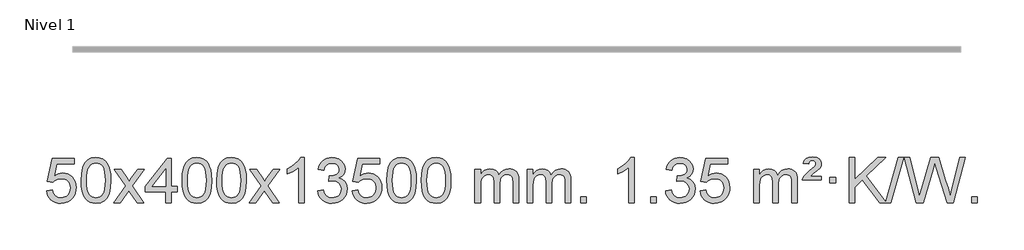
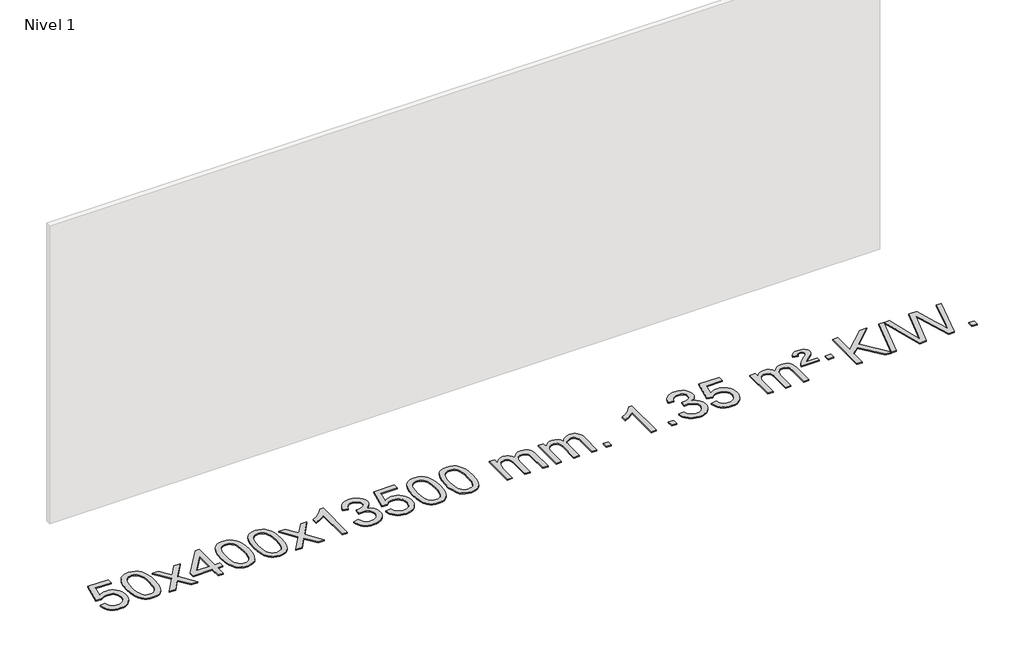
# One storey, part 20 of 21: 1 proxy.
"""IFC4 building model written with IfcOpenShell, lengths in millimetres."""

from ifc_helpers import new_model, si_unit, origin, origin_with_axes, place, context, project, spatial, polyline, outline, extrude, element, save

model = new_model("IFC4")

# Units and contexts
model_context = context("Model", 3, world=origin())
ifc_project = project(units=[si_unit("LENGTHUNIT", "METRE", prefix="MILLI")], contexts=[model_context])

# Site, building, storey
site = spatial("IfcSite", under=ifc_project)
building = spatial("IfcBuilding", under=site)
storey = spatial("IfcBuildingStorey", under=building, Name="Nivel 1", Elevation=0.0)

# Proxy
placement = place(None, origin())
element("IfcBuildingElementProxy", 1, Name="Texto de modelo 1", ObjectType="Texto de modelo 1", at=placement, inside=storey, context=model_context, shape_type="SweptSolid", body=[
    extrude(outline(polyline([(-13263.8171603, 2715.1553765), (-13213.5890052, 2721.4338959), (-13204.3674299, 2691.2798351), (-13188.278724, 2669.6851619), (-13165.3964639, 2656.6989275), (-13135.794226, 2652.3701827), (-13116.6643622, 2653.8754332), (-13099.7908414, 2658.3911847), (-13085.1736634, 2665.9174372), (-13072.8128284, 2676.4541906), (-13062.9842478, 2689.480279), (-13055.963833, 2704.4745359), (-13050.3475012, 2740.3675559), (-13055.6082138, 2774.1636486), (-13062.1841044, 2788.0818507), (-13071.3903514, 2800.0134901), (-13083.2576114, 2809.5845533), (-13097.8165413, 2816.4210271), (-13135.0094111, 2821.8902061), (-13159.3754619, 2819.7074396), (-13179.1061995, 2813.1591401), (-13194.8638117, 2803.1282243), (-13207.3104858, 2790.4976092), (-13257.5386409, 2796.7761285), (-13213.5890052, 3003.9672682), (-13018.9549043, 3003.9672682), (-13018.9549043, 2953.7391131), (-13172.974833, 2953.7391131), (-13194.4591415, 2843.080209), (-13176.7333607, 2855.7844006), (-13158.5783842, 2864.8588231), (-13139.9942121, 2870.3034766), (-13120.9808443, 2872.1183612), (-13096.5197573, 2869.8681496), (-13074.0513645, 2863.117515), (-13053.5756657, 2851.8664573), (-13035.0926612, 2836.1149766), (-13019.7918358, 2816.8256973), (-13008.8626749, 2794.961244), (-13002.3051783, 2770.5216168), (-13000.1193462, 2743.5068156), (-13002.0875148, 2717.4852958), (-13007.9920209, 2693.2786606), (-13017.8328642, 2670.8869098), (-13031.6100449, 2650.3100435), (-13052.4812168, 2629.2365366), (-13076.8350049, 2614.1840316), (-13104.6714092, 2605.1525286), (-13135.9904297, 2602.1420276), (-13161.9107819, 2604.0764738), (-13185.3234053, 2609.8798123), (-13206.2282996, 2619.552043), (-13224.6254651, 2633.0931662), (-13239.9324218, 2649.8287312), (-13251.5666899, 2669.084288), (-13259.5282694, 2690.8598364), (-13263.8171603, 2715.1553765)])), origin_with_axes(), (0.0, 0.0, 1.0), 10.0),
    extrude(outline(polyline([(-12956.1697105, 2806.0958057), (-12952.4786278, 2870.4138412), (-12941.4053797, 2921.7088541), (-12923.0603309, 2960.7656593), (-12911.2022679, 2975.9990395), (-12897.5538459, 2988.3690716), (-12882.0690796, 2997.9401349), (-12864.7019837, 3004.7766086), (-12824.3208034, 3010.2457876), (-12793.3696649, 3007.008426), (-12765.6558879, 2997.2963414), (-12742.4793222, 2981.4896783), (-12725.1398175, 2959.9685816), (-12712.0432185, 2932.9169922), (-12701.5953698, 2900.5188512), (-12694.7527647, 2859.3773814), (-12692.4718963, 2806.0958057), (-12696.1261908, 2742.1456523), (-12707.0890743, 2690.9732667), (-12725.3237585, 2651.8796734), (-12737.1542303, 2636.6003078), (-12750.7934553, 2624.1658964), (-12766.2966157, 2614.5304538), (-12783.7188939, 2607.6479948), (-12824.3208034, 2602.1420276), (-12851.9855294, 2604.5332606), (-12876.5109958, 2611.7069595), (-12897.8972024, 2623.6631243), (-12916.1441494, 2640.4017551), (-12933.6553324, 2670.6600492), (-12946.1633202, 2708.3618224), (-12953.6681129, 2753.5070745), (-12956.1697105, 2806.0958057)]), holes=[polyline([(-12905.9415554, 2806.1939076), (-12904.4700274, 2762.5293805), (-12900.0554435, 2727.1851178), (-12892.6978036, 2700.1611196), (-12882.3971077, 2681.4573858), (-12869.9381708, 2668.7317344), (-12856.1058078, 2659.6419835), (-12840.9000186, 2654.1881329), (-12824.3208034, 2652.3701827), (-12807.7415881, 2654.1942643), (-12792.535799, 2659.6665089), (-12778.703436, 2668.7869167), (-12766.2444991, 2681.5554876), (-12755.9438032, 2700.2898783), (-12748.5861633, 2727.3077451), (-12744.1715794, 2762.6090882), (-12742.7000514, 2806.1939076), (-12744.1225284, 2848.7026722), (-12748.3899596, 2883.4246011), (-12755.5023448, 2910.3596945), (-12765.4596842, 2929.5079524), (-12777.7101546, 2942.8559375), (-12791.7019332, 2952.3902125), (-12807.4350198, 2958.1107775), (-12824.9094146, 2960.0176325), (-12841.4027907, 2958.3376381), (-12856.3510624, 2953.2976548), (-12869.7542298, 2944.8976825), (-12881.6122928, 2933.1377214), (-12892.2563452, 2912.291075), (-12899.8592397, 2884.1848906), (-12904.4209765, 2848.8191681), (-12905.9415554, 2806.1939076)])]), origin_with_axes(), (0.0, 0.0, 1.0), 10.0),
    extrude(outline(polyline([(-12667.3578188, 2608.420547), (-12560.0343781, 2756.7505675), (-12661.0792994, 2903.5109581), (-12600.6485503, 2903.5109581), (-12551.8919232, 2832.877615), (-12529.1322905, 2799.5229808), (-12509.4138155, 2826.7952993), (-12453.8881597, 2903.5109581), (-12393.4574106, 2903.5109581), (-12499.603629, 2756.7505675), (-12397.3814853, 2608.420547), (-12457.8122343, 2608.420547), (-12519.3221039, 2697.5951426), (-12530.6038184, 2713.8800523), (-12606.9270697, 2608.420547), (-12667.3578188, 2608.420547)])), origin_with_axes(), (0.0, 0.0, 1.0), 10.0),
    extrude(outline(polyline([(-12202.7473843, 2608.420547), (-12202.7473843, 2702.5983378), (-12384.8244465, 2702.5983378), (-12384.8244465, 2752.8264928), (-12190.1903456, 3003.9672682), (-12152.5192293, 3003.9672682), (-12152.5192293, 2752.8264928), (-12102.2910742, 2752.8264928), (-12102.2910742, 2702.5983378), (-12152.5192293, 2702.5983378), (-12152.5192293, 2608.420547), (-12202.7473843, 2608.420547)]), holes=[polyline([(-12202.7473843, 2752.8264928), (-12202.7473843, 2908.0236439), (-12323.0202713, 2752.8264928), (-12202.7473843, 2752.8264928)])]), origin_with_axes(), (0.0, 0.0, 1.0), 10.0),
    extrude(outline(polyline([(-12058.3414385, 2806.0958057), (-12054.6503558, 2870.4138412), (-12043.5771078, 2921.7088541), (-12025.2320589, 2960.7656593), (-12013.373996, 2975.9990395), (-11999.7255739, 2988.3690716), (-11984.2408076, 2997.9401349), (-11966.8737118, 3004.7766086), (-11926.4925314, 3010.2457876), (-11895.5413929, 3007.008426), (-11867.8276159, 2997.2963414), (-11844.6510502, 2981.4896783), (-11827.3115455, 2959.9685816), (-11814.2149465, 2932.9169922), (-11803.7670978, 2900.5188512), (-11796.9244927, 2859.3773814), (-11794.6436244, 2806.0958057), (-11798.2979188, 2742.1456523), (-11809.2608023, 2690.9732667), (-11827.4954865, 2651.8796734), (-11839.3259584, 2636.6003078), (-11852.9651833, 2624.1658964), (-11868.4683437, 2614.5304538), (-11885.8906219, 2607.6479948), (-11926.4925314, 2602.1420276), (-11954.1572575, 2604.5332606), (-11978.6827238, 2611.7069595), (-12000.0689305, 2623.6631243), (-12018.3158774, 2640.4017551), (-12035.8270604, 2670.6600492), (-12048.3350482, 2708.3618224), (-12055.8398409, 2753.5070745), (-12058.3414385, 2806.0958057)]), holes=[polyline([(-12008.1132834, 2806.1939076), (-12006.6417554, 2762.5293805), (-12002.2271715, 2727.1851178), (-11994.8695316, 2700.1611196), (-11984.5688357, 2681.4573858), (-11972.1098988, 2668.7317344), (-11958.2775358, 2659.6419835), (-11943.0717467, 2654.1881329), (-11926.4925314, 2652.3701827), (-11909.9133162, 2654.1942643), (-11894.707527, 2659.6665089), (-11880.875164, 2668.7869167), (-11868.4162271, 2681.5554876), (-11858.1155313, 2700.2898783), (-11850.7578914, 2727.3077451), (-11846.3433074, 2762.6090882), (-11844.8717794, 2806.1939076), (-11846.2942565, 2848.7026722), (-11850.5616876, 2883.4246011), (-11857.6740729, 2910.3596945), (-11867.6314122, 2929.5079524), (-11879.8818826, 2942.8559375), (-11893.8736612, 2952.3902125), (-11909.6067479, 2958.1107775), (-11927.0811426, 2960.0176325), (-11943.5745187, 2958.3376381), (-11958.5227905, 2953.2976548), (-11971.9259578, 2944.8976825), (-11983.7840208, 2933.1377214), (-11994.4280732, 2912.291075), (-12002.0309678, 2884.1848906), (-12006.5927045, 2848.8191681), (-12008.1132834, 2806.1939076)])]), origin_with_axes(), (0.0, 0.0, 1.0), 10.0),
    extrude(outline(polyline([(-11750.6939887, 2806.0958057), (-11747.002906, 2870.4138412), (-11735.9296579, 2921.7088541), (-11717.5846091, 2960.7656593), (-11705.7265461, 2975.9990395), (-11692.0781241, 2988.3690716), (-11676.5933578, 2997.9401349), (-11659.2262619, 3004.7766086), (-11618.8450816, 3010.2457876), (-11587.8939431, 3007.008426), (-11560.1801661, 2997.2963414), (-11537.0036004, 2981.4896783), (-11519.6640957, 2959.9685816), (-11506.5674967, 2932.9169922), (-11496.119648, 2900.5188512), (-11489.2770429, 2859.3773814), (-11486.9961745, 2806.0958057), (-11490.650469, 2742.1456523), (-11501.6133525, 2690.9732667), (-11519.8480367, 2651.8796734), (-11531.6785085, 2636.6003078), (-11545.3177335, 2624.1658964), (-11560.8208939, 2614.5304538), (-11578.2431721, 2607.6479948), (-11618.8450816, 2602.1420276), (-11646.5098076, 2604.5332606), (-11671.035274, 2611.7069595), (-11692.4214806, 2623.6631243), (-11710.6684276, 2640.4017551), (-11728.1796106, 2670.6600492), (-11740.6875984, 2708.3618224), (-11748.1923911, 2753.5070745), (-11750.6939887, 2806.0958057)]), holes=[polyline([(-11700.4658336, 2806.1939076), (-11698.9943056, 2762.5293805), (-11694.5797217, 2727.1851178), (-11687.2220818, 2700.1611196), (-11676.9213859, 2681.4573858), (-11664.462449, 2668.7317344), (-11650.630086, 2659.6419835), (-11635.4242968, 2654.1881329), (-11618.8450816, 2652.3701827), (-11602.2658663, 2654.1942643), (-11587.0600772, 2659.6665089), (-11573.2277142, 2668.7869167), (-11560.7687773, 2681.5554876), (-11550.4680814, 2700.2898783), (-11543.1104415, 2727.3077451), (-11538.6958576, 2762.6090882), (-11537.2243296, 2806.1939076), (-11538.6468066, 2848.7026722), (-11542.9142378, 2883.4246011), (-11550.026623, 2910.3596945), (-11559.9839624, 2929.5079524), (-11572.2344328, 2942.8559375), (-11586.2262114, 2952.3902125), (-11601.959298, 2958.1107775), (-11619.4336928, 2960.0176325), (-11635.9270689, 2958.3376381), (-11650.8753406, 2953.2976548), (-11664.278508, 2944.8976825), (-11676.136571, 2933.1377214), (-11686.7806234, 2912.291075), (-11694.3835179, 2884.1848906), (-11698.9452547, 2848.8191681), (-11700.4658336, 2806.1939076)])]), origin_with_axes(), (0.0, 0.0, 1.0), 10.0),
    extrude(outline(polyline([(-11461.882097, 2608.420547), (-11354.5586563, 2756.7505675), (-11455.6035776, 2903.5109581), (-11395.1728285, 2903.5109581), (-11346.4162014, 2832.877615), (-11323.6565687, 2799.5229808), (-11303.9380937, 2826.7952993), (-11248.4124379, 2903.5109581), (-11187.9816888, 2903.5109581), (-11294.1279072, 2756.7505675), (-11191.9057635, 2608.420547), (-11252.3365125, 2608.420547), (-11313.8463821, 2697.5951426), (-11325.1280966, 2713.8800523), (-11401.4513479, 2608.420547), (-11461.882097, 2608.420547)])), origin_with_axes(), (0.0, 0.0, 1.0), 10.0),
    extrude(outline(polyline([(-10972.157585, 2608.420547), (-11022.3857401, 2608.420547), (-11022.3857401, 2921.5617013), (-11043.3550138, 2904.6023413), (-11069.9651448, 2887.6675068), (-11122.8420502, 2862.3081746), (-11122.8420502, 2909.7894775), (-11083.3928376, 2931.2492605), (-11049.2166003, 2956.780271), (-11022.2753755, 2983.9299622), (-11004.5312006, 3010.2457876), (-10972.157585, 3010.2457876), (-10972.157585, 2608.420547)])), origin_with_axes(), (0.0, 0.0, 1.0), 10.0),
    extrude(outline(polyline([(-10852.8657167, 2715.1553765), (-10802.6375616, 2721.4338959), (-10791.3926353, 2689.8696207), (-10774.9237847, 2668.5569905), (-10752.4216693, 2656.4168846), (-10723.0769488, 2652.3701827), (-10688.6431941, 2657.9374636), (-10674.3693726, 2664.8965646), (-10662.0575885, 2674.6393061), (-10645.0614404, 2699.5571799), (-10639.3960576, 2729.7725545), (-10645.0123894, 2758.4550874), (-10661.8613848, 2781.7174922), (-10687.3678698, 2797.1317478), (-10718.9566705, 2802.269833), (-10754.1752401, 2796.7761285), (-10748.5834338, 2847.0042836), (-10740.5390808, 2846.4156724), (-10710.4463336, 2850.020916), (-10683.5418971, 2860.8366466), (-10672.468649, 2869.0158897), (-10664.5591861, 2879.1326445), (-10659.8135084, 2891.1869112), (-10658.2316158, 2905.1786898), (-10662.817878, 2926.8714648), (-10676.5766646, 2944.4684869), (-10697.5704638, 2956.1303461), (-10723.8617637, 2960.0176325), (-10750.2021146, 2956.0935579), (-10771.735474, 2944.3213341), (-10787.456298, 2924.700961), (-10796.3590422, 2897.2324387), (-10846.5871973, 2903.5109581), (-10840.6336404, 2927.4907328), (-10831.7983411, 2948.6132907), (-10820.0812996, 2966.8786317), (-10805.4825157, 2982.286756), (-10788.4618421, 2994.5188323), (-10769.4791311, 3003.2560297), (-10748.5343829, 3008.4983481), (-10725.6275973, 3010.2457876), (-10694.0510594, 3006.7999596), (-10665.0496954, 2996.4624755), (-10640.5978055, 2980.1530404), (-10622.6696896, 2958.7913592), (-10611.6700179, 2934.1800537), (-10608.0034607, 2908.1217457), (-10611.4860769, 2883.8415341), (-10621.9339256, 2861.8176653), (-10639.1998539, 2843.0556835), (-10663.1367091, 2828.5611329), (-10631.6950612, 2815.8569414), (-10608.3958682, 2794.22548), (-10593.974894, 2764.8439714), (-10589.1679026, 2728.8896377), (-10591.5713983, 2703.4076782), (-10598.7818854, 2679.9368069), (-10610.7993639, 2658.4770238), (-10627.6238338, 2639.028329), (-10648.1209923, 2622.8905722), (-10671.1565366, 2611.363603), (-10696.7304666, 2604.4474215), (-10724.8427824, 2602.1420276), (-10750.2511655, 2604.1101963), (-10773.4032057, 2610.0147023), (-10794.2989031, 2619.8555457), (-10812.9382575, 2633.6327264), (-10828.5671109, 2650.5369041), (-10840.4313053, 2669.7587383), (-10848.5308405, 2691.2982292), (-10852.8657167, 2715.1553765)])), origin_with_axes(), (0.0, 0.0, 1.0), 10.0),
    extrude(outline(polyline([(-10545.2182669, 2715.1553765), (-10494.9901118, 2721.4338959), (-10485.7685365, 2691.2798351), (-10469.6798305, 2669.6851619), (-10446.7975704, 2656.6989275), (-10417.1953326, 2652.3701827), (-10398.0654688, 2653.8754332), (-10381.191948, 2658.3911847), (-10366.57477, 2665.9174372), (-10354.213935, 2676.4541906), (-10344.3853543, 2689.480279), (-10337.3649396, 2704.4745359), (-10331.7486078, 2740.3675559), (-10337.0093203, 2774.1636486), (-10343.585211, 2788.0818507), (-10352.7914579, 2800.0134901), (-10364.658718, 2809.5845533), (-10379.2176479, 2816.4210271), (-10416.4105176, 2821.8902061), (-10440.7765684, 2819.7074396), (-10460.5073061, 2813.1591401), (-10476.2649182, 2803.1282243), (-10488.7115924, 2790.4976092), (-10538.9397475, 2796.7761285), (-10494.9901118, 3003.9672682), (-10300.3560109, 3003.9672682), (-10300.3560109, 2953.7391131), (-10454.3759395, 2953.7391131), (-10475.860248, 2843.080209), (-10458.1344672, 2855.7844006), (-10439.9794908, 2864.8588231), (-10421.3953187, 2870.3034766), (-10402.3819509, 2872.1183612), (-10377.9208639, 2869.8681496), (-10355.452471, 2863.117515), (-10334.9767723, 2851.8664573), (-10316.4937677, 2836.1149766), (-10301.1929424, 2816.8256973), (-10290.2637815, 2794.961244), (-10283.7062849, 2770.5216168), (-10281.5204527, 2743.5068156), (-10283.4886214, 2717.4852958), (-10289.3931274, 2693.2786606), (-10299.2339708, 2670.8869098), (-10313.0111515, 2650.3100435), (-10333.8823234, 2629.2365366), (-10358.2361115, 2614.1840316), (-10386.0725158, 2605.1525286), (-10417.3915363, 2602.1420276), (-10443.3118885, 2604.0764738), (-10466.7245118, 2609.8798123), (-10487.6294062, 2619.552043), (-10506.0265717, 2633.0931662), (-10521.3335283, 2649.8287312), (-10532.9677964, 2669.084288), (-10540.9293759, 2690.8598364), (-10545.2182669, 2715.1553765)])), origin_with_axes(), (0.0, 0.0, 1.0), 10.0),
    extrude(outline(polyline([(-10237.570817, 2806.0958057), (-10233.8797344, 2870.4138412), (-10222.8064863, 2921.7088541), (-10204.4614375, 2960.7656593), (-10192.6033745, 2975.9990395), (-10178.9549525, 2988.3690716), (-10163.4701862, 2997.9401349), (-10146.1030903, 3004.7766086), (-10105.72191, 3010.2457876), (-10074.7707714, 3007.008426), (-10047.0569945, 2997.2963414), (-10023.8804288, 2981.4896783), (-10006.5409241, 2959.9685816), (-9993.444325, 2932.9169922), (-9982.9964764, 2900.5188512), (-9976.1538713, 2859.3773814), (-9973.8730029, 2806.0958057), (-9977.5272974, 2742.1456523), (-9988.4901808, 2690.9732667), (-10006.7248651, 2651.8796734), (-10018.5553369, 2636.6003078), (-10032.1945619, 2624.1658964), (-10047.6977223, 2614.5304538), (-10065.1200004, 2607.6479948), (-10105.72191, 2602.1420276), (-10133.386636, 2604.5332606), (-10157.9121024, 2611.7069595), (-10179.298309, 2623.6631243), (-10197.545256, 2640.4017551), (-10215.0564389, 2670.6600492), (-10227.5644268, 2708.3618224), (-10235.0692195, 2753.5070745), (-10237.570817, 2806.0958057)]), holes=[polyline([(-10187.342662, 2806.1939076), (-10185.871134, 2762.5293805), (-10181.45655, 2727.1851178), (-10174.0989101, 2700.1611196), (-10163.7982143, 2681.4573858), (-10151.3392774, 2668.7317344), (-10137.5069144, 2659.6419835), (-10122.3011252, 2654.1881329), (-10105.72191, 2652.3701827), (-10089.1426947, 2654.1942643), (-10073.9369056, 2659.6665089), (-10060.1045426, 2668.7869167), (-10047.6456057, 2681.5554876), (-10037.3449098, 2700.2898783), (-10029.9872699, 2727.3077451), (-10025.572686, 2762.6090882), (-10024.101158, 2806.1939076), (-10025.523635, 2848.7026722), (-10029.7910662, 2883.4246011), (-10036.9034514, 2910.3596945), (-10046.8607907, 2929.5079524), (-10059.1112612, 2942.8559375), (-10073.1030397, 2952.3902125), (-10088.8361264, 2958.1107775), (-10106.3105212, 2960.0176325), (-10122.8038973, 2958.3376381), (-10137.752169, 2953.2976548), (-10151.1553364, 2944.8976825), (-10163.0133993, 2933.1377214), (-10173.6574517, 2912.291075), (-10181.2603463, 2884.1848906), (-10185.8220831, 2848.8191681), (-10187.342662, 2806.1939076)])]), origin_with_axes(), (0.0, 0.0, 1.0), 10.0),
    extrude(outline(polyline([(-9929.9233672, 2806.0958057), (-9926.2322845, 2870.4138412), (-9915.1590365, 2921.7088541), (-9896.8139876, 2960.7656593), (-9884.9559247, 2975.9990395), (-9871.3075026, 2988.3690716), (-9855.8227363, 2997.9401349), (-9838.4556405, 3004.7766086), (-9798.0744601, 3010.2457876), (-9767.1233216, 3007.008426), (-9739.4095446, 2997.2963414), (-9716.2329789, 2981.4896783), (-9698.8934742, 2959.9685816), (-9685.7968752, 2932.9169922), (-9675.3490265, 2900.5188512), (-9668.5064214, 2859.3773814), (-9666.2255531, 2806.0958057), (-9669.8798475, 2742.1456523), (-9680.842731, 2690.9732667), (-9699.0774152, 2651.8796734), (-9710.9078871, 2636.6003078), (-9724.547112, 2624.1658964), (-9740.0502724, 2614.5304538), (-9757.4725506, 2607.6479948), (-9798.0744601, 2602.1420276), (-9825.7391862, 2604.5332606), (-9850.2646525, 2611.7069595), (-9871.6508592, 2623.6631243), (-9889.8978061, 2640.4017551), (-9907.4089891, 2670.6600492), (-9919.9169769, 2708.3618224), (-9927.4217696, 2753.5070745), (-9929.9233672, 2806.0958057)]), holes=[polyline([(-9879.6952121, 2806.1939076), (-9878.2236842, 2762.5293805), (-9873.8091002, 2727.1851178), (-9866.4514603, 2700.1611196), (-9856.1507644, 2681.4573858), (-9843.6918275, 2668.7317344), (-9829.8594645, 2659.6419835), (-9814.6536754, 2654.1881329), (-9798.0744601, 2652.3701827), (-9781.4952449, 2654.1942643), (-9766.2894558, 2659.6665089), (-9752.4570927, 2668.7869167), (-9739.9981558, 2681.5554876), (-9729.69746, 2700.2898783), (-9722.3398201, 2727.3077451), (-9717.9252361, 2762.6090882), (-9716.4537081, 2806.1939076), (-9717.8761852, 2848.7026722), (-9722.1436163, 2883.4246011), (-9729.2560016, 2910.3596945), (-9739.2133409, 2929.5079524), (-9751.4638113, 2942.8559375), (-9765.4555899, 2952.3902125), (-9781.1886766, 2958.1107775), (-9798.6630713, 2960.0176325), (-9815.1564474, 2958.3376381), (-9830.1047192, 2953.2976548), (-9843.5078865, 2944.8976825), (-9855.3659495, 2933.1377214), (-9866.0100019, 2912.291075), (-9873.6128965, 2884.1848906), (-9878.1746332, 2848.8191681), (-9879.6952121, 2806.1939076)])]), origin_with_axes(), (0.0, 0.0, 1.0), 10.0),
    extrude(outline(polyline([(-9452.755894, 2608.420547), (-9452.755894, 2903.5109581), (-9402.5277389, 2903.5109581), (-9402.5277389, 2854.9505347), (-9387.4200517, 2877.2564463), (-9367.9958823, 2894.7308411), (-9344.9174185, 2906.0248184), (-9318.8468478, 2909.7894775), (-9290.9123416, 2905.951242), (-9268.5205908, 2894.4365355), (-9251.7942228, 2876.0056476), (-9240.8558648, 2851.4188676), (-9222.5476041, 2876.9560094), (-9201.6641696, 2895.196825), (-9178.205561, 2906.1413143), (-9152.1717785, 2909.7894775), (-9132.0639617, 2908.2719642), (-9114.414823, 2903.7194245), (-9099.2243623, 2896.1318584), (-9086.4925796, 2885.5092658), (-9076.4279413, 2871.7290194), (-9069.238914, 2854.6684918), (-9064.9254976, 2834.3276832), (-9063.4876922, 2810.7065934), (-9063.4876922, 2608.420547), (-9113.7158472, 2608.420547), (-9113.7158472, 2789.124183), (-9114.8808069, 2814.1769469), (-9118.3756858, 2831.0627305), (-9124.9239854, 2842.6264879), (-9135.2492067, 2851.7131732), (-9148.5297467, 2857.5992851), (-9163.9440023, 2859.5613224), (-9191.1550072, 2854.5336018), (-9213.3382915, 2839.45044), (-9221.9436645, 2827.8805512), (-9228.0903595, 2813.2817674), (-9233.0077155, 2774.9975144), (-9233.0077155, 2608.420547), (-9283.2358706, 2608.420547), (-9283.2358706, 2794.7159894), (-9286.1421384, 2823.1164794), (-9294.8609417, 2843.3745146), (-9310.2016209, 2855.5146204), (-9332.9735164, 2859.5613224), (-9352.3241093, 2856.8635211), (-9370.1541233, 2848.7701172), (-9384.8694032, 2835.4773144), (-9394.8757934, 2817.1813165), (-9400.6147525, 2791.7974589), (-9402.5277389, 2757.2410768), (-9402.5277389, 2608.420547), (-9452.755894, 2608.420547)])), origin_with_axes(), (0.0, 0.0, 1.0), 10.0),
    extrude(outline(polyline([(-8988.1454596, 2608.420547), (-8988.1454596, 2903.5109581), (-8937.9173045, 2903.5109581), (-8937.9173045, 2854.9505347), (-8922.8096172, 2877.2564463), (-8903.3854479, 2894.7308411), (-8880.306984, 2906.0248184), (-8854.2364133, 2909.7894775), (-8826.3019071, 2905.951242), (-8803.9101564, 2894.4365355), (-8787.1837883, 2876.0056476), (-8776.2454303, 2851.4188676), (-8757.9371697, 2876.9560094), (-8737.0537351, 2895.196825), (-8713.5951266, 2906.1413143), (-8687.561344, 2909.7894775), (-8667.4535273, 2908.2719642), (-8649.8043886, 2903.7194245), (-8634.6139279, 2896.1318584), (-8621.8821452, 2885.5092658), (-8611.8175069, 2871.7290194), (-8604.6284796, 2854.6684918), (-8600.3150632, 2834.3276832), (-8598.8772577, 2810.7065934), (-8598.8772577, 2608.420547), (-8649.1054128, 2608.420547), (-8649.1054128, 2789.124183), (-8650.2703724, 2814.1769469), (-8653.7652514, 2831.0627305), (-8660.3135509, 2842.6264879), (-8670.6387722, 2851.7131732), (-8683.9193123, 2857.5992851), (-8699.3335679, 2859.5613224), (-8726.5445728, 2854.5336018), (-8748.7278571, 2839.45044), (-8757.3332301, 2827.8805512), (-8763.4799251, 2813.2817674), (-8768.3972811, 2774.9975144), (-8768.3972811, 2608.420547), (-8818.6254362, 2608.420547), (-8818.6254362, 2794.7159894), (-8821.5317039, 2823.1164794), (-8830.2505072, 2843.3745146), (-8845.5911864, 2855.5146204), (-8868.3630819, 2859.5613224), (-8887.7136749, 2856.8635211), (-8905.5436889, 2848.7701172), (-8920.2589687, 2835.4773144), (-8930.265359, 2817.1813165), (-8936.0043181, 2791.7974589), (-8937.9173045, 2757.2410768), (-8937.9173045, 2608.420547), (-8988.1454596, 2608.420547)])), origin_with_axes(), (0.0, 0.0, 1.0), 10.0),
    extrude(outline(polyline([(-8510.9779863, 2608.420547), (-8510.9779863, 2658.6487021), (-8460.7498313, 2658.6487021), (-8460.7498313, 2608.420547), (-8510.9779863, 2608.420547)])), origin_with_axes(), (0.0, 0.0, 1.0), 10.0),
    extrude(outline(polyline([(-8033.8105131, 2608.420547), (-8084.0386682, 2608.420547), (-8084.0386682, 2921.5617013), (-8105.0079419, 2904.6023413), (-8131.6180729, 2887.6675068), (-8184.4949784, 2862.3081746), (-8184.4949784, 2909.7894775), (-8145.0457657, 2931.2492605), (-8110.8695284, 2956.780271), (-8083.9283036, 2983.9299622), (-8066.1841287, 3010.2457876), (-8033.8105131, 3010.2457876), (-8033.8105131, 2608.420547)])), origin_with_axes(), (0.0, 0.0, 1.0), 10.0),
    extrude(outline(polyline([(-7889.4045673, 2608.420547), (-7889.4045673, 2658.6487021), (-7839.1764122, 2658.6487021), (-7839.1764122, 2608.420547), (-7889.4045673, 2608.420547)])), origin_with_axes(), (0.0, 0.0, 1.0), 10.0),
    extrude(outline(polyline([(-7757.5556602, 2715.1553765), (-7707.3275051, 2721.4338959), (-7696.0825788, 2689.8696207), (-7679.6137282, 2668.5569905), (-7657.1116128, 2656.4168846), (-7627.7668923, 2652.3701827), (-7593.3331376, 2657.9374636), (-7579.0593162, 2664.8965646), (-7566.7475321, 2674.6393061), (-7549.7513839, 2699.5571799), (-7544.0860012, 2729.7725545), (-7549.7023329, 2758.4550874), (-7566.5513283, 2781.7174922), (-7592.0578133, 2797.1317478), (-7623.646614, 2802.269833), (-7658.8651836, 2796.7761285), (-7653.2733773, 2847.0042836), (-7645.2290244, 2846.4156724), (-7615.1362772, 2850.020916), (-7588.2318406, 2860.8366466), (-7577.1585925, 2869.0158897), (-7569.2491296, 2879.1326445), (-7564.5034519, 2891.1869112), (-7562.9215593, 2905.1786898), (-7567.5078215, 2926.8714648), (-7581.2666081, 2944.4684869), (-7602.2604073, 2956.1303461), (-7628.5517072, 2960.0176325), (-7654.8920581, 2956.0935579), (-7676.4254176, 2944.3213341), (-7692.1462415, 2924.700961), (-7701.0489858, 2897.2324387), (-7751.2771408, 2903.5109581), (-7745.3235839, 2927.4907328), (-7736.4882846, 2948.6132907), (-7724.7712431, 2966.8786317), (-7710.1724592, 2982.286756), (-7693.1517856, 2994.5188323), (-7674.1690746, 3003.2560297), (-7653.2243264, 3008.4983481), (-7630.3175408, 3010.2457876), (-7598.7410029, 3006.7999596), (-7569.7396389, 2996.4624755), (-7545.287749, 2980.1530404), (-7527.3596331, 2958.7913592), (-7516.3599614, 2934.1800537), (-7512.6934042, 2908.1217457), (-7516.1760205, 2883.8415341), (-7526.6238691, 2861.8176653), (-7543.8897974, 2843.0556835), (-7567.8266526, 2828.5611329), (-7536.3850047, 2815.8569414), (-7513.0858117, 2794.22548), (-7498.6648375, 2764.8439714), (-7493.8578461, 2728.8896377), (-7496.2613418, 2703.4076782), (-7503.4718289, 2679.9368069), (-7515.4893074, 2658.4770238), (-7532.3137773, 2639.028329), (-7552.8109358, 2622.8905722), (-7575.8464801, 2611.363603), (-7601.4204101, 2604.4474215), (-7629.5327259, 2602.1420276), (-7654.941109, 2604.1101963), (-7678.0931493, 2610.0147023), (-7698.9888466, 2619.8555457), (-7717.628201, 2633.6327264), (-7733.2570544, 2650.5369041), (-7745.1212488, 2669.7587383), (-7753.220784, 2691.2982292), (-7757.5556602, 2715.1553765)])), origin_with_axes(), (0.0, 0.0, 1.0), 10.0),
    extrude(outline(polyline([(-7449.9082104, 2715.1553765), (-7399.6800553, 2721.4338959), (-7390.45848, 2691.2798351), (-7374.369774, 2669.6851619), (-7351.4875139, 2656.6989275), (-7321.8852761, 2652.3701827), (-7302.7554123, 2653.8754332), (-7285.8818915, 2658.3911847), (-7271.2647135, 2665.9174372), (-7258.9038785, 2676.4541906), (-7249.0752979, 2689.480279), (-7242.0548831, 2704.4745359), (-7236.4385513, 2740.3675559), (-7241.6992639, 2774.1636486), (-7248.2751545, 2788.0818507), (-7257.4814014, 2800.0134901), (-7269.3486615, 2809.5845533), (-7283.9075914, 2816.4210271), (-7321.1004611, 2821.8902061), (-7345.466512, 2819.7074396), (-7365.1972496, 2813.1591401), (-7380.9548618, 2803.1282243), (-7393.4015359, 2790.4976092), (-7443.629691, 2796.7761285), (-7399.6800553, 3003.9672682), (-7205.0459544, 3003.9672682), (-7205.0459544, 2953.7391131), (-7359.065883, 2953.7391131), (-7380.5501916, 2843.080209), (-7362.8244108, 2855.7844006), (-7344.6694343, 2864.8588231), (-7326.0852622, 2870.3034766), (-7307.0718944, 2872.1183612), (-7282.6108074, 2869.8681496), (-7260.1424145, 2863.117515), (-7239.6667158, 2851.8664573), (-7221.1837113, 2836.1149766), (-7205.8828859, 2816.8256973), (-7194.953725, 2794.961244), (-7188.3962284, 2770.5216168), (-7186.2103962, 2743.5068156), (-7188.1785649, 2717.4852958), (-7194.0830709, 2693.2786606), (-7203.9239143, 2670.8869098), (-7217.701095, 2650.3100435), (-7238.5722669, 2629.2365366), (-7262.926055, 2614.1840316), (-7290.7624593, 2605.1525286), (-7322.0814798, 2602.1420276), (-7348.001832, 2604.0764738), (-7371.4144553, 2609.8798123), (-7392.3193497, 2619.552043), (-7410.7165152, 2633.0931662), (-7426.0234719, 2649.8287312), (-7437.6577399, 2669.084288), (-7445.6193195, 2690.8598364), (-7449.9082104, 2715.1553765)])), origin_with_axes(), (0.0, 0.0, 1.0), 10.0),
    extrude(outline(polyline([(-6972.7407372, 2608.420547), (-6972.7407372, 2903.5109581), (-6922.5125821, 2903.5109581), (-6922.5125821, 2854.9505347), (-6907.4048948, 2877.2564463), (-6887.9807255, 2894.7308411), (-6864.9022617, 2906.0248184), (-6838.8316909, 2909.7894775), (-6810.8971848, 2905.951242), (-6788.505434, 2894.4365355), (-6771.7790659, 2876.0056476), (-6760.840708, 2851.4188676), (-6742.5324473, 2876.9560094), (-6721.6490127, 2895.196825), (-6698.1904042, 2906.1413143), (-6672.1566217, 2909.7894775), (-6652.0488049, 2908.2719642), (-6634.3996662, 2903.7194245), (-6619.2092055, 2896.1318584), (-6606.4774228, 2885.5092658), (-6596.4127845, 2871.7290194), (-6589.2237572, 2854.6684918), (-6584.9103408, 2834.3276832), (-6583.4725353, 2810.7065934), (-6583.4725353, 2608.420547), (-6633.7006904, 2608.420547), (-6633.7006904, 2789.124183), (-6634.8656501, 2814.1769469), (-6638.360529, 2831.0627305), (-6644.9088285, 2842.6264879), (-6655.2340499, 2851.7131732), (-6668.5145899, 2857.5992851), (-6683.9288455, 2859.5613224), (-6711.1398504, 2854.5336018), (-6733.3231347, 2839.45044), (-6741.9285077, 2827.8805512), (-6748.0752027, 2813.2817674), (-6752.9925587, 2774.9975144), (-6752.9925587, 2608.420547), (-6803.2207138, 2608.420547), (-6803.2207138, 2794.7159894), (-6806.1269816, 2823.1164794), (-6814.8457848, 2843.3745146), (-6830.186464, 2855.5146204), (-6852.9583595, 2859.5613224), (-6872.3089525, 2856.8635211), (-6890.1389665, 2848.7701172), (-6904.8542463, 2835.4773144), (-6914.8606366, 2817.1813165), (-6920.5995957, 2791.7974589), (-6922.5125821, 2757.2410768), (-6922.5125821, 2608.420547), (-6972.7407372, 2608.420547)])), origin_with_axes(), (0.0, 0.0, 1.0), 10.0),
    extrude(outline(polyline([(-6539.5228997, 2809.3331673), (-6535.6969269, 2825.1520931), (-6527.3582683, 2841.0200698), (-6505.8494344, 2866.1586728), (-6473.8927517, 2893.8969753), (-6429.7469123, 2931.273786), (-6422.6100016, 2942.8007552), (-6420.2310314, 2954.6220299), (-6422.1194923, 2966.7130848), (-6427.784875, 2976.4987459), (-6437.1536031, 2982.973469), (-6450.1521003, 2985.1317101), (-6462.5865117, 2983.5130293), (-6471.4402051, 2978.656987), (-6477.8658773, 2969.1901569), (-6483.0162252, 2953.7391131), (-6533.2443803, 2960.0176325), (-6522.4041241, 2985.2298119), (-6505.775858, 3002.7900458), (-6482.0106811, 3013.0907417), (-6449.7596928, 3016.524307), (-6413.9770374, 3012.3917659), (-6389.2308419, 2999.9941427), (-6374.8098677, 2981.6613566), (-6370.0028763, 2959.7233269), (-6374.0986292, 2936.8165414), (-6386.3858878, 2915.1850801), (-6406.9137031, 2895.3685032), (-6443.3830716, 2867.3113697), (-6468.9876584, 2840.7257642), (-6370.0028763, 2840.7257642), (-6370.0028763, 2809.3331673), (-6539.5228997, 2809.3331673)])), origin_with_axes(), (0.0, 0.0, 1.0), 10.0),
    extrude(outline(polyline([(-6294.6606437, 2784.2190898), (-6294.6606437, 2834.4472448), (-6244.4324886, 2834.4472448), (-6244.4324886, 2784.2190898), (-6294.6606437, 2784.2190898)])), origin_with_axes(), (0.0, 0.0, 1.0), 10.0),
    extrude(outline(polyline([(-5853.7908606, 2608.420547), (-6007.2221781, 2811.0990009), (-6074.9124652, 2746.5479735), (-6074.9124652, 2608.420547), (-6125.1406203, 2608.420547), (-6125.1406203, 3010.2457876), (-6074.9124652, 3010.2457876), (-6074.9124652, 2813.5515475), (-5868.8985479, 3010.2457876), (-5798.6576123, 3010.2457876), (-5971.611201, 2845.0422463), (-5796.9575911, 2614.4650668), (-5685.6442634, 3010.2457876), (-5640.3212016, 3010.2457876), (-5753.3345505, 2608.420547), (-5792.3790929, 2608.420547), (-5798.6576123, 2608.420547), (-5853.7908606, 2608.420547)])), origin_with_axes(), (0.0, 0.0, 1.0), 10.0),
    extrude(outline(polyline([(-5525.8363247, 2608.420547), (-5635.4161083, 3010.2457876), (-5583.6183234, 3010.2457876), (-5520.0483146, 2746.155566), (-5500.4279415, 2664.6329159), (-5479.4341424, 2736.7377869), (-5399.7754277, 3010.2457876), (-5325.1199081, 3010.2457876), (-5267.2398075, 2811.9819177), (-5242.4445611, 2738.4055186), (-5224.1730886, 2664.6329159), (-5205.1413268, 2743.8011212), (-5140.9827068, 3010.2457876), (-5089.1849219, 3010.2457876), (-5198.8628074, 2608.420547), (-5252.5245277, 2608.420547), (-5348.8605595, 2918.4224416), (-5362.3005151, 2961.6853642), (-5377.4082024, 2909.5932737), (-5465.2093719, 2608.420547), (-5525.8363247, 2608.420547)])), origin_with_axes(), (0.0, 0.0, 1.0), 10.0),
    extrude(outline(polyline([(-5032.6782474, 2608.420547), (-5032.6782474, 2658.6487021), (-4982.4500923, 2658.6487021), (-4982.4500923, 2608.420547), (-5032.6782474, 2608.420547)])), origin_with_axes(), (0.0, 0.0, 1.0), 10.0),
])

save(model, "model.ifc")
